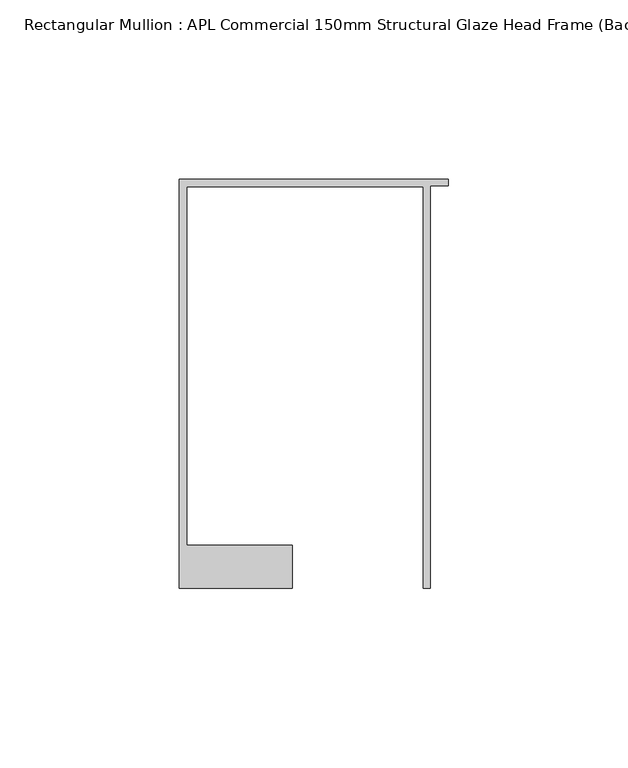
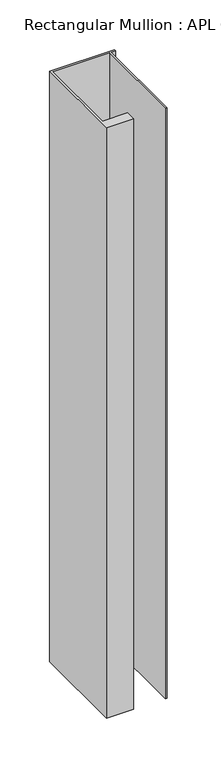
"""IFC4 building model written with IfcOpenShell, lengths in millimetres: member geometry, Rectangular Mullion : APL Commercial 150mm Structural Glaze Head Frame (Back)."""

from ifc_helpers import new_model, si_unit, frame, origin, place, context, project, spatial, polyline, outline, extrude, source, transform, mapped, element, save


def rectangular_mullion_apl_commercial_150mm_structural_glaze_480cb7a3(model_context):
    return source(origin(), model_context, "Body", "SweptSolid", [
        extrude(outline(polyline([(-75.0, 128.9993063), (0.0, 128.9993063), (0.0, 127.1993063), (-5.0, 127.1993063), (-5.0, 14.9998342), (-7.0, 14.9998342), (-7.0, 126.9993063), (-73.0, 126.9993063), (-73.0, 26.9997514), (-43.5000151, 26.9997514), (-43.5000151, 14.9998342), (-75.0, 14.9998342), (-75.0, 128.9993063)])), frame((0.0, 0.0, -722.1422708), z_axis=(0.0, 0.0, 1.0), x_axis=(1.0, 0.0, 0.0)), (0.0, 0.0, 1.0), 722.1422708),
    ])


if __name__ == "__main__":
    model = new_model("IFC4")
    model_context = context("Model", 3, world=origin())
    ifc_project = project(units=[si_unit("LENGTHUNIT", "METRE", prefix="MILLI")], contexts=[model_context])
    site = spatial("IfcSite", under=ifc_project)
    building = spatial("IfcBuilding", under=site)
    placement = place(None, origin())
    rectangular_mullion_apl_commercial_150mm_structural_glaze_shape = rectangular_mullion_apl_commercial_150mm_structural_glaze_480cb7a3(model_context)
    element("IfcMember", 1, ObjectType="Rectangular Mullion : APL Commercial 150mm Structural Glaze Head Frame (Back)", at=placement, inside=building, context=model_context, shape_type="MappedRepresentation", body=[
        mapped(rectangular_mullion_apl_commercial_150mm_structural_glaze_shape, transform((0.0, 0.0, 0.0), x_axis=(1.0, 0.0, 0.0), y_axis=(0.0, 1.0, 0.0), z_axis=(0.0, 0.0, 1.0))),
    ])
    save(model, "model.ifc")
